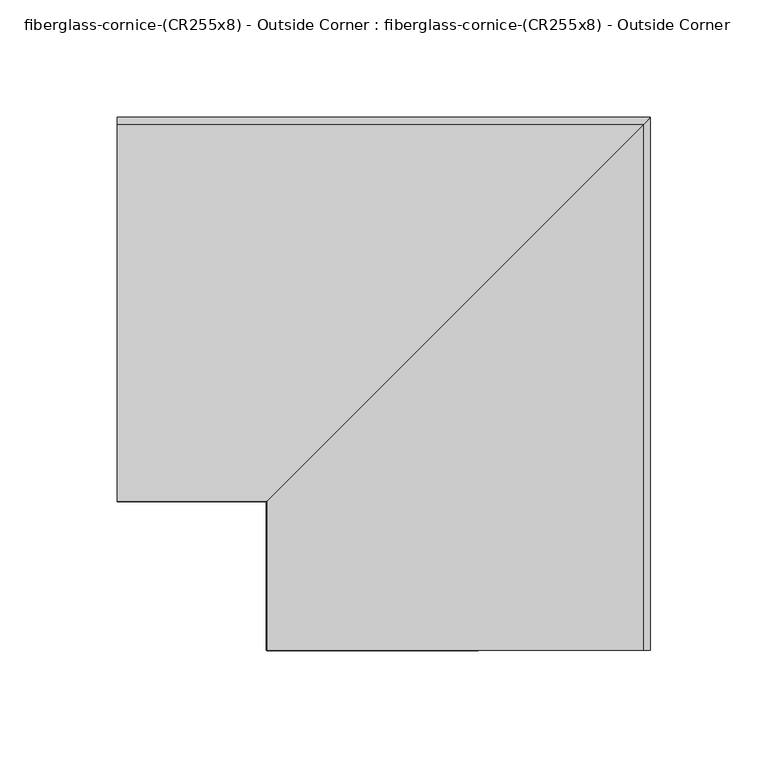
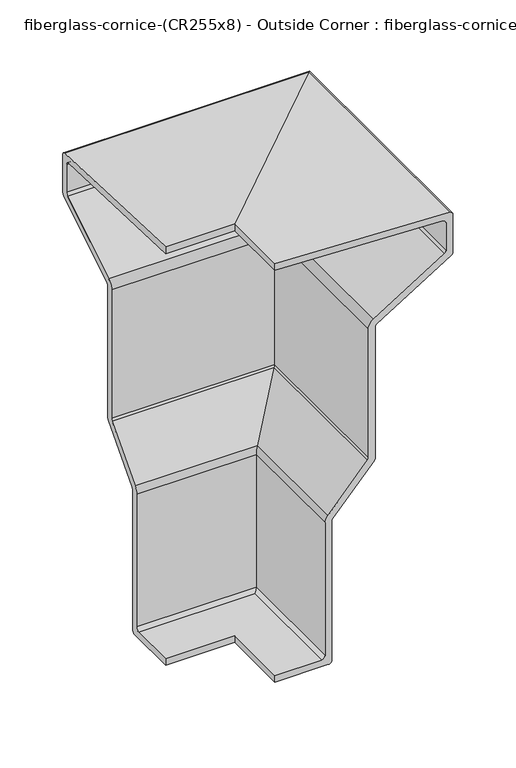
"""IFC4 building model written with IfcOpenShell, lengths in millimetres: furniture geometry, fiberglass-cornice-(CR255x8) - Outside Corner : fiberglass-cornice-(CR255x8) - Outside Corner."""

import ifcopenshell
import ifcopenshell.guid

model = None  # the IFC model being written
_history = None  # IfcOwnerHistory: only IFC2X3 demands one
_inside = {}  # id of a spatial element -> (the spatial element, [elements in it])
_under = {}  # id of a project, library or spatial element -> (it, [spatial elements below it])
_declared = {}  # id of a project -> (the project, [libraries it declares])
_typed = {}  # id of a type object -> (the type object, [elements of that type])
_made_of = {}  # id of a material, layer set ... -> (it, [elements and type objects made of it])


def new_model(schema):
    """Start an empty IFC model of exactly this schema.

    Asked for "IFC4X3", IfcOpenShell would pick the latest addendum, in which some entities
    have other attributes; the version numbers below select the first issue.
    IFC2X3 requires an IfcOwnerHistory on every rooted entity: one is made here for all.
    """
    global model, _history
    if schema == "IFC4X3":
        model = ifcopenshell.file(schema_version=(4, 3, 0, 0))
    else:
        model = ifcopenshell.file(schema=schema)
    _inside.clear()
    _under.clear()
    _declared.clear()
    _typed.clear()
    _made_of.clear()
    _history = None
    if model.schema == "IFC2X3":
        org = make("IfcOrganization", Name="unknown")
        user = make(
            "IfcPersonAndOrganization",
            ThePerson=make("IfcPerson", FamilyName="unknown"),
            TheOrganization=org,
        )
        app = make(
            "IfcApplication",
            ApplicationDeveloper=org,
            Version="unknown",
            ApplicationFullName="unknown",
            ApplicationIdentifier="unknown",
        )
        _history = make(
            "IfcOwnerHistory",
            OwningUser=user,
            OwningApplication=app,
            ChangeAction="ADDED",
            CreationDate=0,
        )
    return model


def make(cls, **values):
    """One entity of the class cls with the attributes given. An attribute that is None is left unset."""
    return model.create_entity(
        cls, **{name: value for name, value in values.items() if value is not None}
    )


def rooted(cls, **values):
    """An entity with a GlobalId (a new one), such as an element, a storey or a relation."""
    return make(cls, GlobalId=ifcopenshell.guid.new(), OwnerHistory=_history, **values)


def si_unit(unit_type, name, prefix=None):
    """IfcSIUnit, for example si_unit("LENGTHUNIT", "METRE", prefix="MILLI")."""
    return make("IfcSIUnit", UnitType=unit_type, Prefix=prefix, Name=name)


def assignment(units):
    """IfcUnitAssignment: the units of a project."""
    return None if units is None else make("IfcUnitAssignment", Units=units)


def point(xyz):
    """IfcCartesianPoint."""
    return None if xyz is None else make("IfcCartesianPoint", Coordinates=xyz)


def direction(xyz):
    """IfcDirection."""
    return None if xyz is None else make("IfcDirection", DirectionRatios=xyz)


def frame(location, z_axis=None, x_axis=None):
    """IfcAxis2Placement3D, a coordinate frame: its origin and axes. An axis left out is left unset."""
    return make(
        "IfcAxis2Placement3D",
        Location=point(location),
        Axis=direction(z_axis),
        RefDirection=direction(x_axis),
    )


def origin():
    """The frame at (0, 0, 0) with its axes left unset."""
    return frame((0.0, 0.0, 0.0))


def place(relative_to, where):
    """IfcLocalPlacement: puts the frame where relative to a parent placement (None: the world)."""
    return make(
        "IfcLocalPlacement", PlacementRelTo=relative_to, RelativePlacement=where
    )


def context(
    kind, dimensions, precision=None, world=None, true_north=None, identifier=None
):
    """IfcGeometricRepresentationContext, for example the 3D "Model" context."""
    return make(
        "IfcGeometricRepresentationContext",
        ContextIdentifier=identifier,
        ContextType=kind,
        CoordinateSpaceDimension=dimensions,
        Precision=precision,
        WorldCoordinateSystem=world,
        TrueNorth=true_north,
    )


def project(units=None, contexts=None):
    """IfcProject with its units and contexts."""
    return rooted(
        "IfcProject",
        Name="project",
        RepresentationContexts=contexts,
        UnitsInContext=assignment(units),
    )


def spatial(cls, under=None, at=None, **own):
    """A site, building, storey or space (cls), placed at a placement, below another one or the project."""
    s = rooted(cls, ObjectPlacement=at, **own)
    if under is not None:
        _under.setdefault(under.id(), (under, []))[1].append(s)
    return s


def polyline(points):
    """IfcPolyline through the points."""
    return make("IfcPolyline", Points=[point(p) for p in points])


def circle_curve(where, radius):
    """IfcCircle in the frame where."""
    return make("IfcCircle", Position=where, Radius=radius)


def ellipse_curve(where, semi_axis1, semi_axis2):
    """IfcEllipse in the frame where."""
    return make(
        "IfcEllipse", Position=where, SemiAxis1=semi_axis1, SemiAxis2=semi_axis2
    )


def shape(context_of_items, identifier, shape_type, items):
    """IfcShapeRepresentation: the items that make up one representation, for example the "Body"."""
    return make(
        "IfcShapeRepresentation",
        ContextOfItems=context_of_items,
        RepresentationIdentifier=identifier,
        RepresentationType=shape_type,
        Items=items,
    )


def source(mapping_origin, context_of_items, identifier, shape_type, items):
    """IfcRepresentationMap: a shape defined once, which mapped items show again and again."""
    return make(
        "IfcRepresentationMap",
        MappingOrigin=mapping_origin,
        MappedRepresentation=shape(context_of_items, identifier, shape_type, items),
    )


def transform(
    local_origin,
    x_axis=None,
    y_axis=None,
    z_axis=None,
    scale=None,
    scale2=None,
    scale3=None,
    uniform=True,
):
    """IfcCartesianTransformationOperator3D, or its non-uniform kind. x_axis, y_axis, z_axis: its Axis1, 2, 3."""
    if uniform:
        return make(
            "IfcCartesianTransformationOperator3D",
            Axis1=direction(x_axis),
            Axis2=direction(y_axis),
            LocalOrigin=point(local_origin),
            Scale=scale,
            Axis3=direction(z_axis),
        )
    return make(
        "IfcCartesianTransformationOperator3DnonUniform",
        Axis1=direction(x_axis),
        Axis2=direction(y_axis),
        LocalOrigin=point(local_origin),
        Scale=scale,
        Axis3=direction(z_axis),
        Scale2=scale2,
        Scale3=scale3,
    )


def mapped(mapping_source, mapping_target):
    """IfcMappedItem: shows the shape of a source again, moved by a transform."""
    return make(
        "IfcMappedItem", MappingSource=mapping_source, MappingTarget=mapping_target
    )


def made_of(thing, what):
    """Note that an element or type object is made of a material, layer set ...; save() writes the relation."""
    if what is not None:
        _made_of.setdefault(what.id(), (what, []))[1].append(thing)
    return thing


def element(
    cls,
    number,
    at=None,
    inside=None,
    cuts=None,
    type_object=None,
    material=None,
    context=None,
    identifier="Body",
    shape_type=None,
    held_by="IfcProductDefinitionShape",
    body=None,
    shapes=None,
    **own,
):
    """One element of the class cls, such as IfcWall. Its Tag is "e" and its number.

    at: its placement. inside: the storey or other place that contains it. cuts: it is an
    opening in that element (IfcRelVoidsElement). A single representation is given by context,
    identifier, shape_type and body (its items); several are given by shapes. held_by: the class
    of the entity that holds the representations. save() writes the other relations.
    """
    e = rooted(cls, Tag="e%d" % number, ObjectPlacement=at, **own)
    if body is not None:
        shapes = [shape(context, identifier, shape_type, body)]
    if shapes is not None:
        e.Representation = make(held_by, Representations=shapes)
    if inside is not None:
        _inside.setdefault(inside.id(), (inside, []))[1].append(e)
    if cuts is not None:
        rooted(
            "IfcRelVoidsElement", RelatingBuildingElement=cuts, RelatedOpeningElement=e
        )
    if type_object is not None:
        _typed.setdefault(type_object.id(), (type_object, []))[1].append(e)
    return made_of(e, material)


def aggregate(whole, parts):
    """IfcRelAggregates: a whole, such as a stair, and the parts it consists of."""
    return rooted("IfcRelAggregates", RelatingObject=whole, RelatedObjects=parts)


def save(model, path):
    """Write the relations noted so far, then the file.

    IfcRelAggregates (storeys below a building ...), IfcRelContainedInSpatialStructure (elements
    in a storey), IfcRelDefinesByType, IfcRelAssociatesMaterial and IfcRelDeclares: one each for
    every whole, place, type object, material and project.
    """
    for whole, parts in _under.values():
        aggregate(whole, parts)
    for where, things in _inside.values():
        rooted(
            "IfcRelContainedInSpatialStructure",
            RelatedElements=things,
            RelatingStructure=where,
        )
    for kind, things in _typed.values():
        rooted("IfcRelDefinesByType", RelatedObjects=things, RelatingType=kind)
    for what, things in _made_of.values():
        rooted("IfcRelAssociatesMaterial", RelatedObjects=things, RelatingMaterial=what)
    for by, libraries in _declared.values():
        rooted("IfcRelDeclares", RelatingContext=by, RelatedDefinitions=libraries)
    model.write(path)


def plane_surface(at):
    """IfcPlane: the flat surface through the origin of the frame at, square to its z axis."""
    return make("IfcPlane", Position=at)


def cylinder_surface(at, radius):
    """IfcCylindricalSurface: all points at the distance radius from the z axis of the frame at."""
    return make("IfcCylindricalSurface", Position=at, Radius=radius)


def revolved_surface(curve, axis_point, axis_direction):
    """IfcSurfaceOfRevolution: the curve turned about the line through axis_point along axis_direction."""
    return make(
        "IfcSurfaceOfRevolution",
        SweptCurve=make("IfcArbitraryOpenProfileDef", ProfileType="CURVE", Curve=curve),
        AxisPosition=make("IfcAxis1Placement", Location=point(axis_point), Axis=direction(axis_direction)),
    )


def advanced_brep(points, edges, surfaces, faces):
    """IfcAdvancedBrep: a solid bounded by faces that lie on surfaces and meet in shared edges.

    An edge is (start, end): straight between two places in points (the first is 0);
    or (start, end, curve); or (start, end, curve, False) where it runs against its curve.
    A face is (place in surfaces, loops), or (place, loops, False) where it looks against
    its surface's normal. A loop lists edges by number (the first is 1), with a minus sign
    where the edge is run from its end to its start. The first loop is the outer one.
    """
    corners = [point(p) for p in points]
    vertices = [make("IfcVertexPoint", VertexGeometry=c) for c in corners]
    made = []
    for start, end, *more in edges:
        made.append(
            make(
                "IfcEdgeCurve",
                EdgeStart=vertices[start],
                EdgeEnd=vertices[end],
                EdgeGeometry=more[0] if more else make("IfcPolyline", Points=[corners[start], corners[end]]),
                SameSense=more[1] if len(more) > 1 else True,
            )
        )
    hull = []
    for where, loops, *sense in faces:
        bounds = []
        for j, loop in enumerate(loops):
            ring = [make("IfcOrientedEdge", EdgeElement=made[abs(k) - 1], Orientation=k > 0) for k in loop]
            bounds.append(
                make(
                    "IfcFaceOuterBound" if j == 0 else "IfcFaceBound",
                    Bound=make("IfcEdgeLoop", EdgeList=ring),
                    Orientation=True,
                )
            )
        hull.append(make("IfcAdvancedFace", Bounds=bounds, FaceSurface=surfaces[where], SameSense=sense[0] if sense else True))
    return make("IfcAdvancedBrep", Outer=make("IfcClosedShell", CfsFaces=hull))


def fiberglass_cornice_cr255x8_outside_corner_fiberglass_cornice_9301fbc6(model_context):
    return source(origin(), model_context, "Body", "AdvancedBrep", [
        advanced_brep(
        [(-196.9488213, 101.6, 330.1999904), (-196.9488213, 262.0607081, 323.9685066), (-196.9488213, 265.1125, 320.7958981), (-196.9488213, 265.1125, 284.3388793), (-196.9488213, 263.6148585, 281.6431246), (-196.9488213, 195.1726415, 239.0568562), (-196.9488213, 193.675, 236.3611015), (-196.9488213, 193.675, 109.1611448), (-196.9488213, 192.8683521, 107.0465447), (-196.9488213, 154.7941479, 64.4034361), (-196.9488213, 153.9875, 62.288836), (-196.9488213, 153.9875, -73.0250096), (-196.9488213, 150.8125, -76.2000096), (-196.9488213, 101.6, -76.2000096), (-196.9488213, 101.6, -69.8500096), (-196.9488213, 144.4625, -69.8500096), (-196.9488213, 147.6375, -66.6750096), (-196.9488213, 147.6375, 62.288836), (-196.9488213, 150.0574438, 68.6326362), (-196.9488213, 186.5183521, 109.4688535), (-196.9488213, 187.325, 111.5834536), (-196.9488213, 187.325, 236.3611015), (-196.9488213, 191.8179245, 244.4483657), (-196.9488213, 257.2648585, 285.1709024), (-196.9488213, 258.7625, 287.8666571), (-196.9488213, 258.7625, 314.6877135), (-196.9488213, 255.7107081, 317.860322), (-196.9488213, 101.3535838, 323.8547734), (-133.3496026, 38.0007813, 330.1999904), (-133.5960188, 38.0007813, 323.8547734), (20.7611055, 38.0007813, 317.860322), (23.8128974, 38.0007813, 314.6877135), (23.8128974, 38.0007813, 287.8666571), (22.3152559, 38.0007813, 285.1709024), (-43.1316781, 38.0007813, 244.4483657), (-47.6246026, 38.0007813, 236.3611015), (-47.6246026, 38.0007813, 111.5834536), (-48.4312505, 38.0007813, 109.4688535), (-84.8921588, 38.0007813, 68.6326362), (-87.3121026, 38.0007813, 62.288836), (-87.3121026, 38.0007813, -66.6750096), (-90.4871026, 38.0007813, -69.8500096), (-133.3496026, 38.0007813, -69.8500096), (-133.3496026, 38.0007813, -76.2000096), (-84.1371026, 38.0007813, -76.2000096), (-80.9621026, 38.0007813, -73.0250096), (-80.9621026, 38.0007813, 62.288836), (-80.1554547, 38.0007813, 64.4034361), (-42.0812505, 38.0007813, 107.0465447), (-41.2746026, 38.0007813, 109.1611448), (-41.2746026, 38.0007813, 236.3611015), (-39.7769611, 38.0007813, 239.0568562), (28.6652559, 38.0007813, 281.6431246), (30.1628974, 38.0007813, 284.3388793), (30.1628974, 38.0007813, 320.7958981), (27.1111055, 38.0007813, 323.9685066), (-133.3496026, 101.6, 330.1999904), (27.1111055, 262.0607081, 323.9685066), (30.1628974, 265.1125, 320.7958981), (30.1628974, 265.1125, 284.3388793), (28.6652559, 263.6148585, 281.6431246), (-39.7769611, 195.1726415, 239.0568562), (-41.2746026, 193.675, 236.3611015), (-41.2746026, 193.675, 109.1611448), (-42.0812505, 192.8683521, 107.0465447), (-80.1554547, 154.7941479, 64.4034361), (-80.9621026, 153.9875, 62.288836), (-80.9621026, 153.9875, -73.0250096), (-84.1371026, 150.8125, -76.2000096), (-133.3496026, 101.6, -76.2000096), (-133.3496026, 101.6, -69.8500096), (-90.4871026, 144.4625, -69.8500096), (-87.3121026, 147.6375, -66.6750096), (-87.3121026, 147.6375, 62.288836), (-84.8921588, 150.0574438, 68.6326362), (-48.4312505, 186.5183521, 109.4688535), (-47.6246026, 187.325, 111.5834536), (-47.6246026, 187.325, 236.3611015), (-43.1316781, 191.8179245, 244.4483657), (22.3152559, 257.2648585, 285.1709024), (23.8128974, 258.7625, 287.8666571), (23.8128974, 258.7625, 314.6877135), (20.7611055, 255.7107081, 317.860322), (-133.5960188, 101.3535838, 323.8547734)],
        [
            (0, 1),
            (1, 2, circle_curve(frame((-196.9488213, 261.9375, 320.7958981), z_axis=(-1.0, 0.0, 0.0), x_axis=(0.0, 1.0, 0.0)), 3.175)),
            (2, 3),
            (3, 4, circle_curve(frame((-196.9488213, 261.9375, 284.3388793), z_axis=(-1.0, 0.0, 0.0), x_axis=(0.0, 1.0, 0.0)), 3.175)),
            (4, 5),
            (5, 6, circle_curve(frame((-196.9488213, 196.85, 236.3611015), z_axis=(1.0, 0.0, 0.0), x_axis=(0.0, 1.0, 0.0)), 3.175)),
            (6, 7),
            (7, 8, circle_curve(frame((-196.9488213, 190.5, 109.1611448), z_axis=(-1.0, 0.0, 0.0), x_axis=(0.0, 1.0, 0.0)), 3.175)),
            (8, 9),
            (9, 10, circle_curve(frame((-196.9488213, 157.1625, 62.288836), z_axis=(1.0, 0.0, 0.0), x_axis=(0.0, 1.0, 0.0)), 3.175)),
            (10, 11),
            (11, 12, circle_curve(frame((-196.9488213, 150.8125, -73.0250096), z_axis=(-1.0, 0.0, 0.0), x_axis=(0.0, 1.0, 0.0)), 3.175)),
            (12, 13),
            (13, 14),
            (14, 15),
            (15, 16, circle_curve(frame((-196.9488213, 144.4625, -66.6750096), z_axis=(1.0, 0.0, 0.0), x_axis=(0.0, 1.0, 0.0)), 3.175)),
            (16, 17),
            (17, 18, circle_curve(frame((-196.9488213, 157.1625, 62.288836), z_axis=(-1.0, 0.0, 0.0), x_axis=(0.0, 1.0, 0.0)), 9.525)),
            (18, 19),
            (19, 20, circle_curve(frame((-196.9488213, 184.15, 111.5834536), z_axis=(1.0, 0.0, 0.0), x_axis=(0.0, 1.0, 0.0)), 3.175)),
            (20, 21),
            (21, 22, circle_curve(frame((-196.9488213, 196.85, 236.3611015), z_axis=(-1.0, 0.0, 0.0), x_axis=(0.0, 1.0, 0.0)), 9.525)),
            (22, 23),
            (23, 24, circle_curve(frame((-196.9488213, 255.5875, 287.8666571), z_axis=(1.0, 0.0, 0.0), x_axis=(0.0, 1.0, 0.0)), 3.175)),
            (24, 25),
            (25, 26, circle_curve(frame((-196.9488213, 255.5875, 314.6877135), z_axis=(1.0, 0.0, 0.0), x_axis=(0.0, 1.0, 0.0)), 3.175)),
            (26, 27),
            (27, 0),
            (28, 29),
            (29, 30),
            (30, 31, circle_curve(frame((20.6378974, 38.0007813, 314.6877135), z_axis=(0.0, 1.0, 0.0), x_axis=(1.0, 0.0, 0.0)), 3.175)),
            (31, 32),
            (32, 33, circle_curve(frame((20.6378974, 38.0007813, 287.8666571), z_axis=(0.0, 1.0, 0.0), x_axis=(1.0, 0.0, 0.0)), 3.175)),
            (33, 34),
            (34, 35, circle_curve(frame((-38.0996026, 38.0007813, 236.3611015), z_axis=(0.0, -1.0, 0.0), x_axis=(1.0, 0.0, 0.0)), 9.525)),
            (35, 36),
            (36, 37, circle_curve(frame((-50.7996026, 38.0007813, 111.5834536), z_axis=(0.0, 1.0, 0.0), x_axis=(1.0, 0.0, 0.0)), 3.175)),
            (37, 38),
            (38, 39, circle_curve(frame((-77.7871026, 38.0007813, 62.288836), z_axis=(0.0, -1.0, 0.0), x_axis=(1.0, 0.0, 0.0)), 9.525)),
            (39, 40),
            (40, 41, circle_curve(frame((-90.4871026, 38.0007813, -66.6750096), z_axis=(0.0, 1.0, 0.0), x_axis=(1.0, 0.0, 0.0)), 3.175)),
            (41, 42),
            (42, 43),
            (43, 44),
            (44, 45, circle_curve(frame((-84.1371026, 38.0007813, -73.0250096), z_axis=(0.0, -1.0, 0.0), x_axis=(1.0, 0.0, 0.0)), 3.175)),
            (45, 46),
            (46, 47, circle_curve(frame((-77.7871026, 38.0007813, 62.288836), z_axis=(0.0, 1.0, 0.0), x_axis=(1.0, 0.0, 0.0)), 3.175)),
            (47, 48),
            (48, 49, circle_curve(frame((-44.4496026, 38.0007813, 109.1611448), z_axis=(0.0, -1.0, 0.0), x_axis=(1.0, 0.0, 0.0)), 3.175)),
            (49, 50),
            (50, 51, circle_curve(frame((-38.0996026, 38.0007813, 236.3611015), z_axis=(0.0, 1.0, 0.0), x_axis=(1.0, 0.0, 0.0)), 3.175)),
            (51, 52),
            (52, 53, circle_curve(frame((26.9878974, 38.0007813, 284.3388793), z_axis=(0.0, -1.0, 0.0), x_axis=(1.0, 0.0, 0.0)), 3.175)),
            (53, 54),
            (54, 55, circle_curve(frame((26.9878974, 38.0007813, 320.7958981), z_axis=(0.0, -1.0, 0.0), x_axis=(1.0, 0.0, 0.0)), 3.175)),
            (55, 28),
            (0, 56),
            (56, 57),
            (57, 1),
            (57, 58, ellipse_curve(frame((26.9878974, 261.9375, 320.7958981), z_axis=(-0.7071067811865563, 0.7071067811865387, 0.0), x_axis=(-0.7071067811865387, -0.7071067811865565, 0.0)), 4.4901281, 3.175)),
            (58, 2),
            (58, 59),
            (59, 3),
            (59, 60, ellipse_curve(frame((26.9878974, 261.9375, 284.3388793), z_axis=(-0.7071067811865563, 0.7071067811865387, 0.0), x_axis=(-0.7071067811865387, -0.7071067811865565, 0.0)), 4.4901281, 3.175)),
            (60, 4),
            (60, 61),
            (61, 5),
            (61, 62, ellipse_curve(frame((-38.0996026, 196.85, 236.3611015), z_axis=(0.7071067811865563, -0.7071067811865387, 0.0), x_axis=(0.7071067811865387, 0.7071067811865565, 0.0)), 4.4901281, 3.175)),
            (62, 6),
            (62, 63),
            (63, 7),
            (63, 64, ellipse_curve(frame((-44.4496026, 190.5, 109.1611448), z_axis=(-0.7071067811865563, 0.7071067811865387, 0.0), x_axis=(-0.7071067811865387, -0.7071067811865565, 0.0)), 4.4901281, 3.175)),
            (64, 8),
            (64, 65),
            (65, 9),
            (65, 66, ellipse_curve(frame((-77.7871026, 157.1625, 62.288836), z_axis=(0.7071067811865563, -0.7071067811865387, 0.0), x_axis=(0.7071067811865387, 0.7071067811865565, 0.0)), 4.4901281, 3.175)),
            (66, 10),
            (66, 67),
            (67, 11),
            (67, 68, ellipse_curve(frame((-84.1371026, 150.8125, -73.0250096), z_axis=(-0.7071067811865563, 0.7071067811865387, 0.0), x_axis=(-0.7071067811865387, -0.7071067811865565, 0.0)), 4.4901281, 3.175)),
            (68, 12),
            (68, 44),
            (43, 69),
            (69, 13),
            (69, 70),
            (70, 14),
            (70, 42),
            (41, 71),
            (71, 15),
            (71, 72, ellipse_curve(frame((-90.4871026, 144.4625, -66.6750096), z_axis=(0.7071067811865563, -0.7071067811865387, 0.0), x_axis=(0.7071067811865387, 0.7071067811865565, 0.0)), 4.4901281, 3.175)),
            (72, 16),
            (72, 73),
            (73, 17),
            (73, 74, ellipse_curve(frame((-77.7871026, 157.1625, 62.288836), z_axis=(-0.7071067811865563, 0.7071067811865387, 0.0), x_axis=(-0.7071067811865387, -0.7071067811865565, 0.0)), 13.4703842, 9.525)),
            (74, 18),
            (74, 75),
            (75, 19),
            (75, 76, ellipse_curve(frame((-50.7996026, 184.15, 111.5834536), z_axis=(0.7071067811865563, -0.7071067811865387, 0.0), x_axis=(0.7071067811865387, 0.7071067811865565, 0.0)), 4.4901281, 3.175)),
            (76, 20),
            (76, 77),
            (77, 21),
            (77, 78, ellipse_curve(frame((-38.0996026, 196.85, 236.3611015), z_axis=(-0.7071067811865563, 0.7071067811865387, 0.0), x_axis=(-0.7071067811865387, -0.7071067811865565, 0.0)), 13.4703842, 9.525)),
            (78, 22),
            (78, 79),
            (79, 23),
            (79, 80, ellipse_curve(frame((20.6378974, 255.5875, 287.8666571), z_axis=(0.7071067811865563, -0.7071067811865387, 0.0), x_axis=(0.7071067811865387, 0.7071067811865565, 0.0)), 4.4901281, 3.175)),
            (80, 24),
            (80, 81),
            (81, 25),
            (81, 82, ellipse_curve(frame((20.6378974, 255.5875, 314.6877135), z_axis=(0.7071067811865563, -0.7071067811865387, 0.0), x_axis=(0.7071067811865387, 0.7071067811865565, 0.0)), 4.4901281, 3.175)),
            (82, 26),
            (82, 83),
            (83, 27),
            (83, 56),
            (56, 28),
            (55, 57),
            (54, 58),
            (53, 59),
            (52, 60),
            (51, 61),
            (50, 62),
            (49, 63),
            (48, 64),
            (47, 65),
            (46, 66),
            (45, 67),
            (40, 72),
            (39, 73),
            (38, 74),
            (37, 75),
            (36, 76),
            (35, 77),
            (34, 78),
            (33, 79),
            (32, 80),
            (31, 81),
            (30, 82),
            (29, 83),
        ],
        [
            plane_surface(frame((-196.9488213, 101.6, 330.1999904), z_axis=(-1.0, 0.0, 0.0), x_axis=(0.0, 0.0, 1.0))),
            plane_surface(frame((-133.3496026, 38.0007813, 330.1999904), z_axis=(0.0, -1.0, 0.0), x_axis=(0.0, 0.0, 1.0))),
            plane_surface(frame((-196.9488213, 101.6, 330.1999904), z_axis=(0.0, 0.03880570000581933, 0.9992467751496916), x_axis=(1.0, 0.0, 0.0))),
            cylinder_surface(frame((-196.9488213, 261.9375, 320.7958981), z_axis=(-1.0, 0.0, 0.0), x_axis=(0.0, 1.0, 0.0)), 3.175),
            plane_surface(frame((-196.9488213, 265.1125, 320.7958981), z_axis=(0.0, 1.0, 0.0), x_axis=(1.0, 0.0, 0.0))),
            cylinder_surface(frame((-196.9488213, 261.9375, 284.3388793), z_axis=(-1.0, 0.0, 0.0), x_axis=(0.0, 1.0, 0.0)), 3.175),
            plane_surface(frame((-196.9488213, 263.6148585, 281.6431246), z_axis=(0.0, 0.5283018867924504, -0.8490566037735865), x_axis=(1.0, 0.0, 0.0))),
            revolved_surface(polyline([(-34.92460257209376, 200.025, 236.3611015), (-196.9488213, 200.025, 236.3611015)]), (-196.9488213, 196.85, 236.3611015), (1.0, 0.0, 0.0)),
            plane_surface(frame((-196.9488213, 193.675, 236.3611015), z_axis=(0.0, 1.0, 0.0), x_axis=(1.0, 0.0, 0.0))),
            cylinder_surface(frame((-196.9488213, 190.5, 109.1611448), z_axis=(-1.0, 0.0, 0.0), x_axis=(0.0, 1.0, 0.0)), 3.175),
            plane_surface(frame((-196.9488213, 192.8683521, 107.0465447), z_axis=(0.0, 0.7459376616259124, -0.666015769308855), x_axis=(1.0, 0.0, 0.0))),
            revolved_surface(polyline([(-74.61210257209378, 160.3375, 62.288836), (-196.9488213, 160.3375, 62.288836)]), (-196.9488213, 157.1625, 62.288836), (1.0, 0.0, 0.0)),
            plane_surface(frame((-196.9488213, 153.9875, 62.288836), z_axis=(0.0, 1.0, 0.0), x_axis=(1.0, 0.0, 0.0))),
            cylinder_surface(frame((-196.9488213, 150.8125, -73.0250096), z_axis=(-1.0, 0.0, 0.0), x_axis=(0.0, 1.0, 0.0)), 3.175),
            plane_surface(frame((-196.9488213, 150.8125, -76.2000096), z_axis=(0.0, 0.0, -1.0), x_axis=(1.0, 0.0, 0.0))),
            plane_surface(frame((-196.9488213, 101.6, -76.2000096), z_axis=(0.0, -1.0, 0.0), x_axis=(1.0, 0.0, 0.0))),
            plane_surface(frame((-196.9488213, 101.6, -69.8500096), z_axis=(0.0, 0.0, 1.0), x_axis=(1.0, 0.0, 0.0))),
            revolved_surface(polyline([(-87.31210257209378, 147.63750000000002, -66.6750096), (-196.9488213, 147.63750000000002, -66.6750096)]), (-196.9488213, 144.4625, -66.6750096), (1.0, 0.0, 0.0)),
            plane_surface(frame((-196.9488213, 147.6375, -66.6750096), z_axis=(0.0, -1.0, 0.0), x_axis=(1.0, 0.0, 0.0))),
            cylinder_surface(frame((-196.9488213, 157.1625, 62.288836), z_axis=(-1.0, 0.0, 0.0), x_axis=(0.0, 1.0, 0.0)), 9.525),
            plane_surface(frame((-196.9488213, 150.0574438, 68.6326362), z_axis=(0.0, -0.7459376616259149, 0.6660157693088521), x_axis=(1.0, 0.0, 0.0))),
            revolved_surface(polyline([(-47.62460257209375, 187.32500000000002, 111.5834536), (-196.9488213, 187.32500000000002, 111.5834536)]), (-196.9488213, 184.15, 111.5834536), (1.0, 0.0, 0.0)),
            plane_surface(frame((-196.9488213, 187.325, 111.5834536), z_axis=(0.0, -1.0, 0.0), x_axis=(1.0, 0.0, 0.0))),
            cylinder_surface(frame((-196.9488213, 196.85, 236.3611015), z_axis=(-1.0, 0.0, 0.0), x_axis=(0.0, 1.0, 0.0)), 9.525),
            plane_surface(frame((-196.9488213, 191.8179245, 244.4483657), z_axis=(0.0, -0.528301886792461, 0.8490566037735798), x_axis=(1.0, 0.0, 0.0))),
            revolved_surface(polyline([(23.81289742790625, 258.7625, 287.8666571), (-196.9488213, 258.7625, 287.8666571)]), (-196.9488213, 255.5875, 287.8666571), (1.0, 0.0, 0.0)),
            plane_surface(frame((-196.9488213, 258.7625, 287.8666571), z_axis=(0.0, -1.0, 0.0), x_axis=(1.0, 0.0, 0.0))),
            revolved_surface(polyline([(23.81289742790625, 258.7625, 314.6877135), (-196.9488213, 258.7625, 314.6877135)]), (-196.9488213, 255.5875, 314.6877135), (1.0, 0.0, 0.0)),
            plane_surface(frame((-196.9488213, 255.7107081, 317.860322), z_axis=(0.0, -0.03880570000581845, -0.9992467751496916), x_axis=(1.0, 0.0, 0.0))),
            plane_surface(frame((-196.9488213, 101.3535838, 323.8547734), z_axis=(0.0, -0.9992467751496854, 0.03880570000598024), x_axis=(1.0, 0.0, 0.0))),
            plane_surface(frame((-133.3496026, 101.6, 330.1999904), z_axis=(0.03880570000581934, 0.0, 0.9992467751496916), x_axis=(0.0, -1.0, 0.0))),
            cylinder_surface(frame((26.9878974, 101.6, 320.7958981), z_axis=(0.0, 1.0, 0.0), x_axis=(1.0, 0.0, 0.0)), 3.175),
            plane_surface(frame((30.1628974, 265.1125, 320.7958981), z_axis=(1.0, 0.0, 0.0), x_axis=(0.0, -1.0, 0.0))),
            cylinder_surface(frame((26.9878974, 101.6, 284.3388793), z_axis=(0.0, 1.0, 0.0), x_axis=(1.0, 0.0, 0.0)), 3.175),
            plane_surface(frame((28.6652559, 263.6148585, 281.6431246), z_axis=(0.5283018867924504, 0.0, -0.8490566037735864), x_axis=(0.0, -1.0, 0.0))),
            revolved_surface(polyline([(-34.9246026, 38.0007813, 236.3611015), (-34.9246026, 200.0250000279063, 236.3611015)]), (-38.0996026, 101.6, 236.3611015), (0.0, -1.0, 0.0)),
            plane_surface(frame((-41.2746026, 193.675, 236.3611015), z_axis=(1.0, 0.0, 0.0), x_axis=(0.0, -1.0, 0.0))),
            cylinder_surface(frame((-44.4496026, 101.6, 109.1611448), z_axis=(0.0, 1.0, 0.0), x_axis=(1.0, 0.0, 0.0)), 3.175),
            plane_surface(frame((-42.0812505, 192.8683521, 107.0465447), z_axis=(0.7459376616259124, 0.0, -0.6660157693088549), x_axis=(0.0, -1.0, 0.0))),
            revolved_surface(polyline([(-74.6121026, 38.0007813, 62.288836), (-74.6121026, 160.3375000279063, 62.288836)]), (-77.7871026, 101.6, 62.288836), (0.0, -1.0, 0.0)),
            plane_surface(frame((-80.9621026, 153.9875, 62.288836), z_axis=(1.0, 0.0, 0.0), x_axis=(0.0, -1.0, 0.0))),
            cylinder_surface(frame((-84.1371026, 101.6, -73.0250096), z_axis=(0.0, 1.0, 0.0), x_axis=(1.0, 0.0, 0.0)), 3.175),
            plane_surface(frame((-133.3496026, 101.6, -76.2000096), z_axis=(-1.0, 0.0, 0.0), x_axis=(0.0, -1.0, 0.0))),
            revolved_surface(polyline([(-87.3121026, 38.0007813, -66.6750096), (-87.3121026, 147.6375000279063, -66.6750096)]), (-90.4871026, 101.6, -66.6750096), (0.0, -1.0, 0.0)),
            plane_surface(frame((-87.3121026, 147.6375, -66.6750096), z_axis=(-1.0, 0.0, 0.0), x_axis=(0.0, -1.0, 0.0))),
            cylinder_surface(frame((-77.7871026, 101.6, 62.288836), z_axis=(0.0, 1.0, 0.0), x_axis=(1.0, 0.0, 0.0)), 9.525),
            plane_surface(frame((-84.8921588, 150.0574438, 68.6326362), z_axis=(-0.745937661625915, 0.0, 0.6660157693088521), x_axis=(0.0, -1.0, 0.0))),
            revolved_surface(polyline([(-47.6246026, 38.0007813, 111.5834536), (-47.6246026, 187.3250000279063, 111.5834536)]), (-50.7996026, 101.6, 111.5834536), (0.0, -1.0, 0.0)),
            plane_surface(frame((-47.6246026, 187.325, 111.5834536), z_axis=(-1.0, 0.0, 0.0), x_axis=(0.0, -1.0, 0.0))),
            cylinder_surface(frame((-38.0996026, 101.6, 236.3611015), z_axis=(0.0, 1.0, 0.0), x_axis=(1.0, 0.0, 0.0)), 9.525),
            plane_surface(frame((-43.1316781, 191.8179245, 244.4483657), z_axis=(-0.5283018867924612, 0.0, 0.8490566037735798), x_axis=(0.0, -1.0, 0.0))),
            revolved_surface(polyline([(23.8128974, 38.0007813, 287.8666571), (23.8128974, 258.7625000279063, 287.8666571)]), (20.6378974, 101.6, 287.8666571), (0.0, -1.0, 0.0)),
            plane_surface(frame((23.8128974, 258.7625, 287.8666571), z_axis=(-1.0, 0.0, 0.0), x_axis=(0.0, -1.0, 0.0))),
            revolved_surface(polyline([(23.8128974, 38.0007813, 314.6877135), (23.8128974, 258.7625000279063, 314.6877135)]), (20.6378974, 101.6, 314.6877135), (0.0, -1.0, 0.0)),
            plane_surface(frame((20.7611055, 255.7107081, 317.860322), z_axis=(-0.038805700005818455, 0.0, -0.9992467751496916), x_axis=(0.0, -1.0, 0.0))),
            plane_surface(frame((-133.5960188, 101.3535838, 323.8547734), z_axis=(-0.9992467751496854, 0.0, 0.038805700005980236), x_axis=(0.0, -1.0, 0.0))),
        ],
        [
            (0, [[1, 2, 3, 4, 5, 6, 7, 8, 9, 10, 11, 12, 13, 14, 15, 16, 17, 18, 19, 20, 21, 22, 23, 24, 25, 26, 27, 28]]),
            (1, [[29, 30, 31, 32, 33, 34, 35, 36, 37, 38, 39, 40, 41, 42, 43, 44, 45, 46, 47, 48, 49, 50, 51, 52, 53, 54, 55, 56]]),
            (2, [[-1, 57, 58, 59]]),
            (3, [[-2, -59, 60, 61]]),
            (4, [[-3, -61, 62, 63]]),
            (5, [[-4, -63, 64, 65]]),
            (6, [[-5, -65, 66, 67]]),
            (7, [[-6, -67, 68, 69]]),
            (8, [[-7, -69, 70, 71]]),
            (9, [[-8, -71, 72, 73]]),
            (10, [[-9, -73, 74, 75]]),
            (11, [[-10, -75, 76, 77]]),
            (12, [[-11, -77, 78, 79]]),
            (13, [[-12, -79, 80, 81]]),
            (14, [[-13, -81, 82, -44, 83, 84]]),
            (15, [[-14, -84, 85, 86]]),
            (16, [[-15, -86, 87, -42, 88, 89]]),
            (17, [[-16, -89, 90, 91]]),
            (18, [[-17, -91, 92, 93]]),
            (19, [[-18, -93, 94, 95]]),
            (20, [[-19, -95, 96, 97]]),
            (21, [[-20, -97, 98, 99]]),
            (22, [[-21, -99, 100, 101]]),
            (23, [[-22, -101, 102, 103]]),
            (24, [[-23, -103, 104, 105]]),
            (25, [[-24, -105, 106, 107]]),
            (26, [[-25, -107, 108, 109]]),
            (27, [[-26, -109, 110, 111]]),
            (28, [[-27, -111, 112, 113]]),
            (29, [[-28, -113, 114, -57]]),
            (30, [[-58, 115, -56, 116]]),
            (31, [[-60, -116, -55, 117]]),
            (32, [[-62, -117, -54, 118]]),
            (33, [[-64, -118, -53, 119]]),
            (34, [[-66, -119, -52, 120]]),
            (35, [[-68, -120, -51, 121]]),
            (36, [[-70, -121, -50, 122]]),
            (37, [[-72, -122, -49, 123]]),
            (38, [[-74, -123, -48, 124]]),
            (39, [[-76, -124, -47, 125]]),
            (40, [[-78, -125, -46, 126]]),
            (41, [[-80, -126, -45, -82]]),
            (42, [[-85, -83, -43, -87]]),
            (43, [[-90, -88, -41, 127]]),
            (44, [[-92, -127, -40, 128]]),
            (45, [[-94, -128, -39, 129]]),
            (46, [[-96, -129, -38, 130]]),
            (47, [[-98, -130, -37, 131]]),
            (48, [[-100, -131, -36, 132]]),
            (49, [[-102, -132, -35, 133]]),
            (50, [[-104, -133, -34, 134]]),
            (51, [[-106, -134, -33, 135]]),
            (52, [[-108, -135, -32, 136]]),
            (53, [[-110, -136, -31, 137]]),
            (54, [[-112, -137, -30, 138]]),
            (55, [[-114, -138, -29, -115]]),
        ],
    ),
    ])


if __name__ == "__main__":
    model = new_model("IFC4")
    model_context = context("Model", 3, world=origin())
    ifc_project = project(units=[si_unit("LENGTHUNIT", "METRE", prefix="MILLI")], contexts=[model_context])
    site = spatial("IfcSite", under=ifc_project)
    building = spatial("IfcBuilding", under=site)
    placement = place(None, origin())
    fiberglass_cornice_cr255x8_outside_corner_fiberglass_cornice_shape = fiberglass_cornice_cr255x8_outside_corner_fiberglass_cornice_9301fbc6(model_context)
    element("IfcFurniture", 1, ObjectType="fiberglass-cornice-(CR255x8) - Outside Corner : fiberglass-cornice-(CR255x8) - Outside Corner", at=placement, inside=building, context=model_context, shape_type="MappedRepresentation", body=[
        mapped(fiberglass_cornice_cr255x8_outside_corner_fiberglass_cornice_shape, transform((0.0, 0.0, 0.0), x_axis=(1.0, 0.0, 0.0), y_axis=(0.0, 1.0, 0.0), z_axis=(0.0, 0.0, 1.0))),
    ])
    save(model, "model.ifc")
